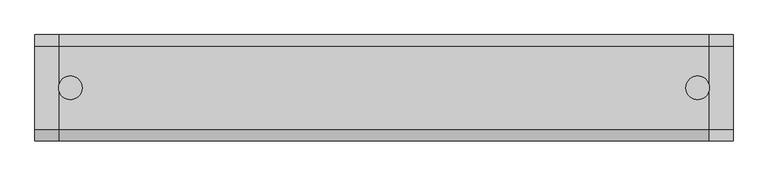
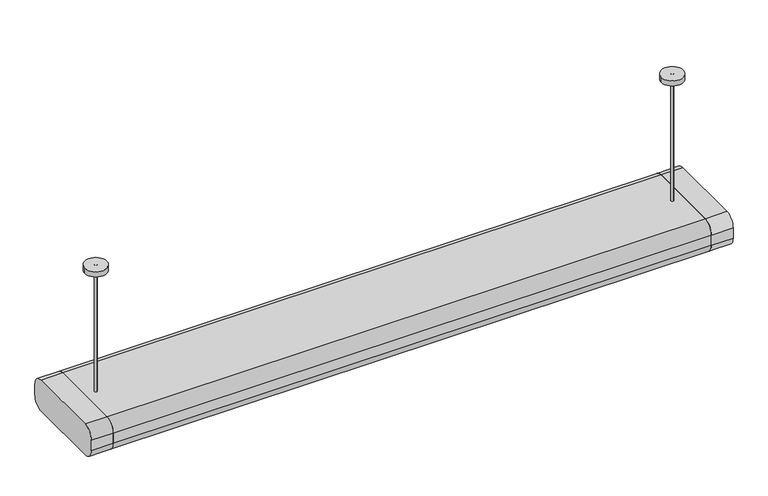
"""IFC4 building model written with IfcOpenShell, lengths in millimetres: light fixture geometry."""

from ifc_helpers import new_model, si_unit, point, frame, frame_2d, origin, place, context, project, spatial, polyline, circle_curve, trimmed, segment, composite_curve, outline, extrude, source, transform, mapped, element, save


def light_fixture_b7213557(model_context):
    return source(origin(), model_context, "Body", "SweptSolid", [
        extrude(outline(composite_curve([segment(trimmed(circle_curve(frame_2d((88.9, -338.1)), 25.4), [point((88.9, -312.7))], [point((114.3, -338.1))], False, "CARTESIAN"), True, "CONTINUOUS"), segment(polyline([(114.3, -338.1), (114.3, -363.5)]), True, "CONTINUOUS"), segment(trimmed(circle_curve(frame_2d((88.9, -363.5)), 25.4), [point((114.3, -363.5))], [point((88.9, -388.9))], False, "CARTESIAN"), True, "CONTINUOUS"), segment(polyline([(88.9, -388.9), (-88.9, -388.9)]), True, "CONTINUOUS"), segment(trimmed(circle_curve(frame_2d((-88.9, -363.5)), 25.4), [point((-88.9, -388.9))], [point((-114.3, -363.5))], False, "CARTESIAN"), True, "CONTINUOUS"), segment(polyline([(-114.3, -363.5), (-114.3, -338.1)]), True, "CONTINUOUS"), segment(trimmed(circle_curve(frame_2d((-88.9, -338.1)), 25.4), [point((-114.3, -338.1))], [point((-88.9, -312.7))], False, "CARTESIAN"), True, "CONTINUOUS"), segment(polyline([(-88.9, -312.7), (88.9, -312.7)]), True, "CONTINUOUS")], self_intersect=False)), frame((699.2, 0.0, 0.0), z_axis=(1.0, 0.0, 0.0), x_axis=(0.0, 1.0, 0.0)), (0.0, 0.0, 1.0), 50.8),
        extrude(outline(composite_curve([segment(polyline([(-88.9, -312.7), (88.9, -312.7)]), True, "CONTINUOUS"), segment(trimmed(circle_curve(frame_2d((88.9, -338.1)), 25.4), [point((88.9, -312.7))], [point((114.3, -338.1))], False, "CARTESIAN"), True, "CONTINUOUS"), segment(polyline([(114.3, -338.1), (114.3, -363.5)]), True, "CONTINUOUS"), segment(trimmed(circle_curve(frame_2d((88.9, -363.5)), 25.4), [point((114.3, -363.5))], [point((88.9, -388.9))], False, "CARTESIAN"), True, "CONTINUOUS"), segment(polyline([(88.9, -388.9), (-88.9, -388.9)]), True, "CONTINUOUS"), segment(trimmed(circle_curve(frame_2d((-88.9, -363.5)), 25.4), [point((-88.9, -388.9))], [point((-114.3, -363.5))], False, "CARTESIAN"), True, "CONTINUOUS"), segment(polyline([(-114.3, -363.5), (-114.3, -338.1)]), True, "CONTINUOUS"), segment(trimmed(circle_curve(frame_2d((-88.9, -338.1)), 25.4), [point((-114.3, -338.1))], [point((-88.9, -312.7))], False, "CARTESIAN"), True, "CONTINUOUS")], self_intersect=False)), frame((-750.0, 0.0, 0.0), z_axis=(1.0, 0.0, 0.0), x_axis=(0.0, 1.0, 0.0)), (0.0, 0.0, 1.0), 50.8),
        extrude(outline(polyline([(699.2, 63.5), (699.2, -63.5), (-699.2, -63.5), (-699.2, 63.5), (699.2, 63.5)])), frame((0.0, 0.0, -388.9), z_axis=(0.0, 0.0, 1.0), x_axis=(1.0, 0.0, 0.0)), (0.0, 0.0, 1.0), 12.7),
        extrude(outline(composite_curve([segment(trimmed(circle_curve(frame_2d((-673.8883785, 0.0)), 25.4), [point((-699.2883785, 0.0))], [point((-648.4883785, 0.0))], False, "CARTESIAN"), True, "CONTINUOUS"), segment(trimmed(circle_curve(frame_2d((-673.8883785, 0.0)), 25.4), [point((-648.4883785, 0.0))], [point((-699.2883785, 0.0))], False, "CARTESIAN"), True, "CONTINUOUS")], self_intersect=False)), frame((0.0, 0.0, -12.7), z_axis=(0.0, 0.0, 1.0), x_axis=(1.0, 0.0, 0.0)), (0.0, 0.0, 1.0), 12.7),
        extrude(outline(composite_curve([segment(trimmed(circle_curve(frame_2d((673.8, 0.0)), 25.4), [point((648.4, 0.0))], [point((699.2, 0.0))], False, "CARTESIAN"), True, "CONTINUOUS"), segment(trimmed(circle_curve(frame_2d((673.8, 0.0)), 25.4), [point((699.2, 0.0))], [point((648.4, 0.0))], False, "CARTESIAN"), True, "CONTINUOUS")], self_intersect=False)), frame((0.0, 0.0, -12.7), z_axis=(0.0, 0.0, 1.0), x_axis=(1.0, 0.0, 0.0)), (0.0, 0.0, 1.0), 12.7),
        extrude(outline(composite_curve([segment(trimmed(circle_curve(frame_2d((-673.8, 0.0)), 3.175), [point((-673.8, 3.175))], [point((-673.8, -3.175))], False, "CARTESIAN"), True, "CONTINUOUS"), segment(trimmed(circle_curve(frame_2d((-673.8, 0.0)), 3.175), [point((-673.8, -3.175))], [point((-673.8, 3.175))], False, "CARTESIAN"), True, "CONTINUOUS")], self_intersect=False)), frame((0.0, 0.0, -312.7), z_axis=(0.0, 0.0, 1.0), x_axis=(1.0, 0.0, 0.0)), (0.0, 0.0, 1.0), 312.7),
        extrude(outline(composite_curve([segment(trimmed(circle_curve(frame_2d((673.8, 0.0)), 3.175), [point((673.8, 3.175))], [point((673.8, -3.175))], False, "CARTESIAN"), True, "CONTINUOUS"), segment(trimmed(circle_curve(frame_2d((673.8, 0.0)), 3.175), [point((673.8, -3.175))], [point((673.8, 3.175))], False, "CARTESIAN"), True, "CONTINUOUS")], self_intersect=False)), frame((0.0, 0.0, -312.7), z_axis=(0.0, 0.0, 1.0), x_axis=(1.0, 0.0, 0.0)), (0.0, 0.0, 1.0), 312.7),
        extrude(outline(composite_curve([segment(polyline([(-88.9, -312.7), (88.9, -312.7)]), True, "CONTINUOUS"), segment(trimmed(circle_curve(frame_2d((88.9, -338.1)), 25.4), [point((88.9, -312.7))], [point((114.3, -338.1))], False, "CARTESIAN"), True, "CONTINUOUS"), segment(polyline([(114.3, -338.1), (114.3, -363.5)]), True, "CONTINUOUS"), segment(trimmed(circle_curve(frame_2d((88.9, -363.5)), 25.4), [point((114.3, -363.5))], [point((88.9, -388.9))], False, "CARTESIAN"), True, "CONTINUOUS"), segment(polyline([(88.9, -388.9), (63.5, -388.9), (63.5, -363.5), (-63.5, -363.5), (-63.5, -388.9), (-88.9, -388.9)]), True, "CONTINUOUS"), segment(trimmed(circle_curve(frame_2d((-88.9, -363.5)), 25.4), [point((-88.9, -388.9))], [point((-114.3, -363.5))], False, "CARTESIAN"), True, "CONTINUOUS"), segment(polyline([(-114.3, -363.5), (-114.3, -338.1)]), True, "CONTINUOUS"), segment(trimmed(circle_curve(frame_2d((-88.9, -338.1)), 25.4), [point((-114.3, -338.1))], [point((-88.9, -312.7))], False, "CARTESIAN"), True, "CONTINUOUS")], self_intersect=False)), frame((-699.2, 0.0, 0.0), z_axis=(1.0, 0.0, 0.0), x_axis=(0.0, 1.0, 0.0)), (0.0, 0.0, 1.0), 1398.4),
    ])


if __name__ == "__main__":
    model = new_model("IFC4")
    model_context = context("Model", 3, world=origin())
    ifc_project = project(units=[si_unit("LENGTHUNIT", "METRE", prefix="MILLI")], contexts=[model_context])
    site = spatial("IfcSite", under=ifc_project)
    building = spatial("IfcBuilding", under=site)
    placement = place(None, origin())
    light_fixture_shape = light_fixture_b7213557(model_context)
    element("IfcLightFixture", 1, at=placement, inside=building, context=model_context, shape_type="MappedRepresentation", body=[
        mapped(light_fixture_shape, transform((0.0, 0.0, 0.0), x_axis=(1.0, 0.0, 0.0), y_axis=(0.0, 1.0, 0.0), z_axis=(0.0, 0.0, 1.0))),
    ])
    save(model, "model.ifc")
